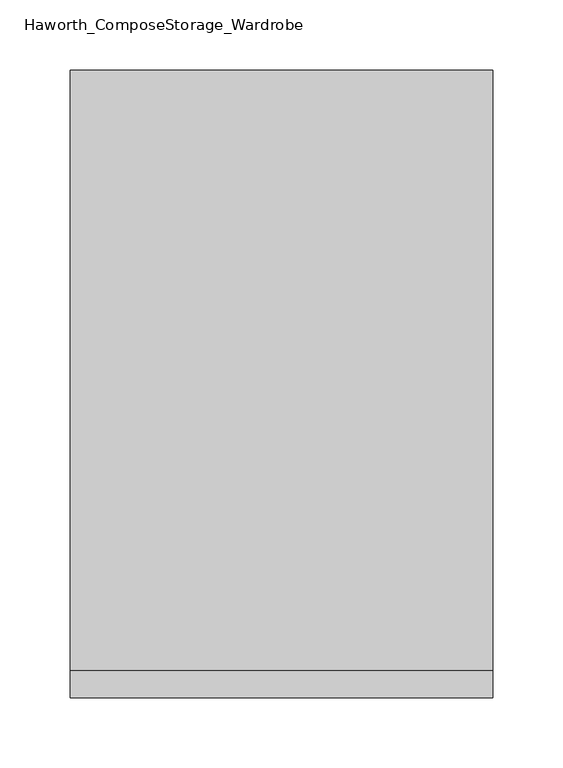
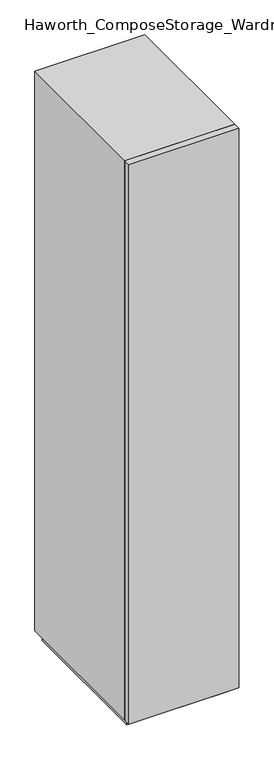
"""IFC4 building model written with IfcOpenShell, lengths in millimetres: furniture geometry, Haworth_ComposeStorage_Wardrobe."""

from ifc_helpers import new_model, si_unit, frame, origin, origin_with_axes, place, context, project, spatial, polyline, outline, extrude, faceted_brep, source, transform, mapped, element, save


def haworth_composestorage_wardrobe_9211c6c0(model_context):
    return source(origin(), model_context, "Body", "SolidModel", [
        extrude(outline(polyline([(150.8263906, -233.3625), (-150.7986094, -233.3625), (-150.7986094, -214.3125), (150.8263906, -214.3125), (150.8263906, -233.3625)])), frame((0.0, 0.0, 25.4), z_axis=(0.0, 0.0, 1.0), x_axis=(1.0, 0.0, 0.0)), (0.0, 0.0, 1.0), 1625.6),
        faceted_brep([(-150.7986094, -214.3125, 25.4), (150.8263906, -214.3125, 25.4), (150.8263906, -214.3125, 1651.0), (-150.7986094, -214.3125, 1651.0), (-131.7486094, -214.3125, 44.45), (-131.7486094, -214.3125, 1631.95), (131.7486094, -214.3125, 1631.95), (131.7486094, -214.3125, 44.45), (-150.7986094, 214.3125, 25.4), (-150.7986094, 214.3125, 1651.0), (150.8263906, 214.3125, 1651.0), (150.8263906, 214.3125, 25.4), (-131.7486094, 195.2625, 44.45), (-131.7486094, 195.2625, 1631.95), (131.7486094, 195.2625, 1631.95), (131.7486094, 195.2625, 44.45)], [[[0, 1, 2, 3], [4, 5, 6, 7]], [[8, 9, 10, 11]], [[1, 0, 8, 11]], [[2, 1, 11, 10]], [[3, 2, 10, 9]], [[0, 3, 9, 8]], [[5, 4, 12, 13]], [[6, 5, 13, 14]], [[7, 6, 14, 15]], [[4, 7, 15, 12]], [[13, 12, 15, 14]]]),
        extrude(outline(polyline([(138.1263906, -201.6125), (-138.0986094, -201.6125), (-138.0986094, 201.6125), (138.1263906, 201.6125), (138.1263906, -201.6125)])), origin_with_axes(), (0.0, 0.0, 1.0), 25.4),
    ])


if __name__ == "__main__":
    model = new_model("IFC4")
    model_context = context("Model", 3, world=origin())
    ifc_project = project(units=[si_unit("LENGTHUNIT", "METRE", prefix="MILLI")], contexts=[model_context])
    site = spatial("IfcSite", under=ifc_project)
    building = spatial("IfcBuilding", under=site)
    placement = place(None, origin())
    haworth_composestorage_wardrobe_shape = haworth_composestorage_wardrobe_9211c6c0(model_context)
    element("IfcFurniture", 1, ObjectType="Haworth_ComposeStorage_Wardrobe", at=placement, inside=building, context=model_context, shape_type="MappedRepresentation", body=[
        mapped(haworth_composestorage_wardrobe_shape, transform((0.0, 0.0, 0.0), x_axis=(1.0, 0.0, 0.0), y_axis=(0.0, 1.0, 0.0), z_axis=(0.0, 0.0, 1.0))),
    ])
    save(model, "model.ifc")
